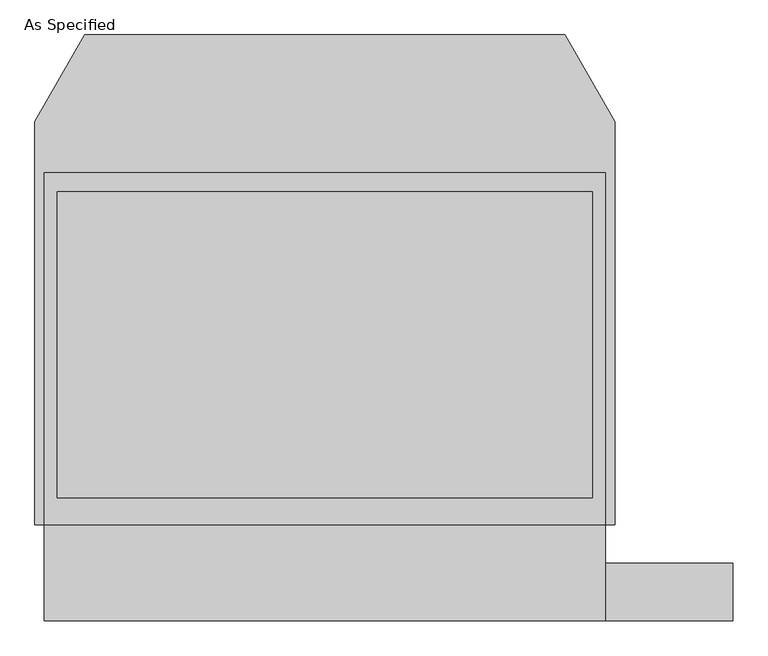
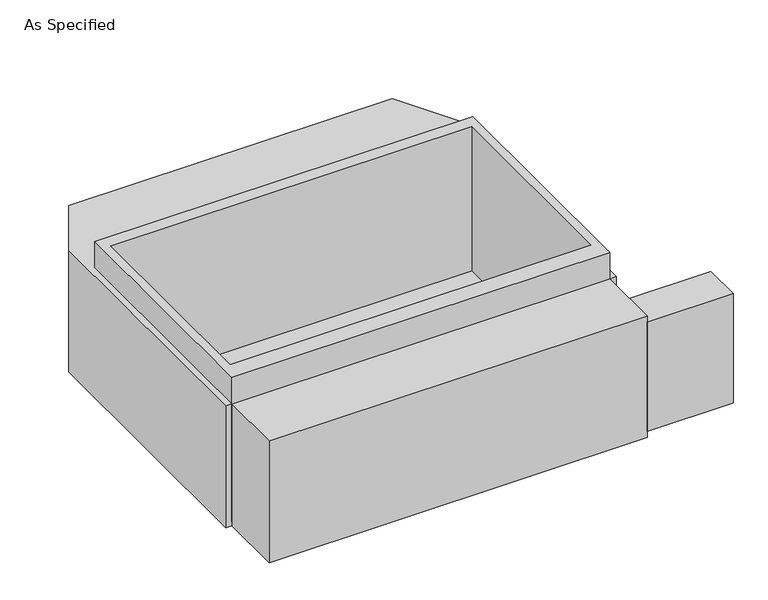
"""IFC4 building model written with IfcOpenShell, lengths in millimetres: proxy geometry, As Specified."""

from ifc_helpers import new_model, si_unit, frame, origin, place, context, project, spatial, polyline, outline, extrude, faceted_brep, source, transform, mapped, element, save


def as_specified_1dfdf1ef(model_context):
    return source(origin(), model_context, "Body", "SolidModel", [
        extrude(outline(polyline([(1117.6, -1166.5148438), (1117.6, -937.9148438), (1625.6, -937.9148438), (1625.6, -1166.5148438), (1117.6, -1166.5148438)])), frame((0.0, 0.0, -749.3), z_axis=(0.0, 0.0, 1.0), x_axis=(1.0, 0.0, 0.0)), (0.0, 0.0, 1.0), 685.8),
        extrude(outline(polyline([(1117.6, 617.8351562), (1117.6, -785.5148438), (-1117.6, -785.5148438), (-1117.6, 617.8351562), (1117.6, 617.8351562)]), holes=[polyline([(-1066.8, 541.6748437), (-1066.8, -677.5251563), (1066.8, -677.5251563), (1066.8, 541.6748437), (-1066.8, 541.6748437)])]), frame((0.0, 0.0, -762.0), z_axis=(0.0, 0.0, 1.0), x_axis=(1.0, 0.0, 0.0)), (0.0, 0.0, 1.0), 901.7),
        faceted_brep([(1117.6, -1166.5148438, -787.4), (-1117.6, -1166.5148438, -787.4), (-1117.6, -785.5148438, -787.4), (-1155.7, -785.5148438, -787.4), (-1155.7, 821.0748437, -787.4), (-956.260123, 1166.5148437, -787.4), (956.260123, 1166.5148437, -787.4), (1155.7, 821.0748437, -787.4), (1155.7, -785.5148438, -787.4), (1117.6, -785.5148438, -787.4), (1117.6, -1166.5148438, -25.4), (1117.6, -785.5148438, -25.4), (1155.7, -785.5148438, -25.4), (1155.7, 821.0748437, -25.4), (956.260123, 1166.5148437, -25.4), (-956.260123, 1166.5148437, -25.4), (-1155.7, 821.0748437, -25.4), (-1155.7, -785.5148438, -25.4), (-1117.6, -785.5148438, -25.4), (-1117.6, -1166.5148438, -25.4), (1066.8, 541.6748437, -25.4), (1066.8, -677.5251563, -25.4), (-1066.8, -677.5251563, -25.4), (-1066.8, 541.6748437, -25.4), (1066.8, 541.6748437, -762.0), (-1066.8, 541.6748437, -762.0), (-1066.8, -677.5251563, -762.0), (1066.8, -677.5251563, -762.0)], [[[0, 1, 2, 3, 4, 5, 6, 7, 8, 9]], [[10, 11, 12, 13, 14, 15, 16, 17, 18, 19], [20, 21, 22, 23]], [[6, 5, 15, 14]], [[3, 17, 16, 4]], [[17, 3, 2, 18]], [[8, 12, 11, 9]], [[12, 8, 7, 13]], [[0, 9, 11, 10]], [[2, 1, 19, 18]], [[1, 0, 10, 19]], [[5, 4, 16, 15]], [[7, 6, 14, 13]], [[24, 25, 26, 27]], [[24, 27, 21, 20]], [[27, 26, 22, 21]], [[26, 25, 23, 22]], [[25, 24, 20, 23]]]),
    ])


if __name__ == "__main__":
    model = new_model("IFC4")
    model_context = context("Model", 3, world=origin())
    ifc_project = project(units=[si_unit("LENGTHUNIT", "METRE", prefix="MILLI")], contexts=[model_context])
    site = spatial("IfcSite", under=ifc_project)
    building = spatial("IfcBuilding", under=site)
    placement = place(None, origin())
    as_specified_shape = as_specified_1dfdf1ef(model_context)
    element("IfcBuildingElementProxy", 1, Name="As Specified", ObjectType="As Specified", at=placement, inside=building, context=model_context, shape_type="MappedRepresentation", body=[
        mapped(as_specified_shape, transform((0.0, 0.0, 0.0), x_axis=(1.0, 0.0, 0.0), y_axis=(0.0, 1.0, 0.0), z_axis=(0.0, 0.0, 1.0))),
    ])
    save(model, "model.ifc")
